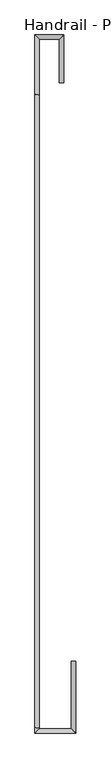
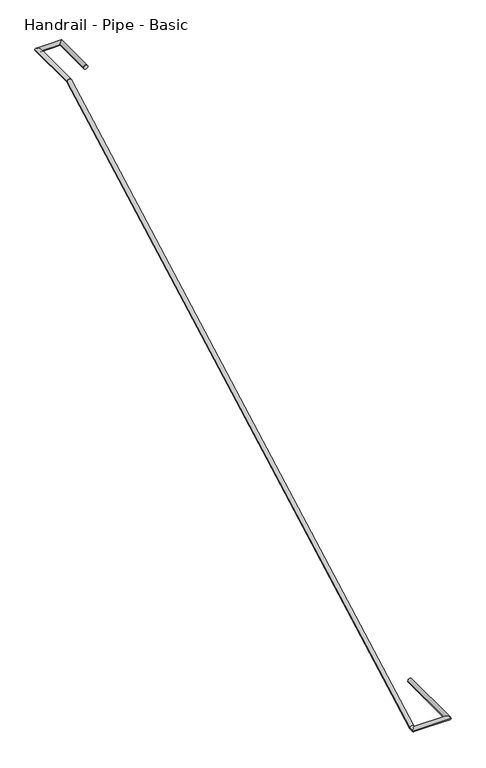
"""IFC4 building model written with IfcOpenShell, lengths in millimetres: railing geometry, Handrail - Pipe - Basic."""

from ifc_helpers import new_model, si_unit, frame, origin, place, context, project, spatial, circle_curve, ellipse_curve, source, transform, mapped, element, save
from ifc_brep_helpers import plane_surface, cylinder_surface, advanced_brep


def handrail_pipe_basic_b6f8f5c0(model_context):
    return source(origin(), model_context, "Body", "AdvancedBrep", [
        advanced_brep(
        [(-2703.1805358, -3065.9564983, 666.75), (-2741.2805358, -3065.9564983, 666.75), (-2741.2805358, 2242.6435017, 3562.35), (-2703.1805358, 2242.6435017, 3562.35), (-2436.4805358, -2512.0141343, 666.75), (-2398.3805358, -2512.0141343, 666.75), (-2398.3805358, -3115.2641343, 666.75), (-2436.4805358, -3077.1641343, 666.75), (-2741.2805358, -3115.2641343, 666.75), (-2703.1805358, -3077.1641343, 666.75), (-2741.2805358, 2739.4358657, 3562.35), (-2703.1805358, 2701.3358657, 3562.35), (-2499.9805358, 2739.4358657, 3562.35), (-2538.0805358, 2701.3358657, 3562.35), (-2538.0805358, 2339.3858657, 3562.35), (-2499.9805358, 2339.3858657, 3562.35)],
        [
            (0, 1, ellipse_curve(frame((-2722.2305358, -3065.9564983, 666.75), z_axis=(0.0, 0.9689931818424691, 0.24708746132252005), x_axis=(0.0, 0.24708746132252063, -0.9689931818424687)), 19.6595811, 19.05)),
            (1, 2),
            (2, 3, ellipse_curve(frame((-2722.2305358, 2242.6435017, 3562.35), z_axis=(0.0, -0.9689931818424691, -0.24708746132252002), x_axis=(0.0, 0.24708746132252063, -0.9689931818424689)), 19.6595811, 19.05)),
            (3, 0),
            (1, 0, ellipse_curve(frame((-2722.2305358, -3065.9564983, 666.75), z_axis=(0.0, 0.9689931818424691, 0.24708746132252005), x_axis=(0.0, 0.24708746132252063, -0.9689931818424687)), 19.6595811, 19.05)),
            (3, 2, ellipse_curve(frame((-2722.2305358, 2242.6435017, 3562.35), z_axis=(0.0, -0.9689931818424691, -0.24708746132252002), x_axis=(0.0, 0.24708746132252063, -0.9689931818424689)), 19.6595811, 19.05)),
            (4, 5, circle_curve(frame((-2417.4305358, -2512.0141343, 666.75), z_axis=(0.0, 1.0, 0.0), x_axis=(1.0, 0.0, 0.0)), 19.05)),
            (5, 4, circle_curve(frame((-2417.4305358, -2512.0141343, 666.75), z_axis=(0.0, 1.0, 0.0), x_axis=(1.0, 0.0, 0.0)), 19.05)),
            (5, 6),
            (6, 7, ellipse_curve(frame((-2417.4305358, -3096.2141343, 666.75), z_axis=(0.7071067811865454, 0.7071067811865497, 0.0), x_axis=(-0.7071067811865498, 0.7071067811865454, 0.0)), 26.9407684, 19.05)),
            (7, 4),
            (7, 6, ellipse_curve(frame((-2417.4305358, -3096.2141343, 666.75), z_axis=(0.7071067811865454, 0.7071067811865497, 0.0), x_axis=(-0.7071067811865498, 0.7071067811865454, 0.0)), 26.9407684, 19.05)),
            (6, 8),
            (8, 9, ellipse_curve(frame((-2722.2305358, -3096.2141343, 666.75), z_axis=(0.7071067811865496, -0.7071067811865454, 0.0), x_axis=(0.7071067811865455, 0.7071067811865496, 0.0)), 26.9407684, 19.05)),
            (9, 7),
            (9, 8, ellipse_curve(frame((-2722.2305358, -3096.2141343, 666.75), z_axis=(0.7071067811865496, -0.7071067811865454, 0.0), x_axis=(0.7071067811865455, 0.7071067811865496, 0.0)), 26.9407684, 19.05)),
            (8, 1),
            (0, 9),
            (2, 10),
            (10, 11, ellipse_curve(frame((-2722.2305358, 2720.3858657, 3562.35), z_axis=(-0.7071067811865472, -0.7071067811865479, 0.0), x_axis=(0.707106781186548, -0.7071067811865471, 0.0)), 26.9407684, 19.05)),
            (11, 3),
            (11, 10, ellipse_curve(frame((-2722.2305358, 2720.3858657, 3562.35), z_axis=(-0.7071067811865472, -0.7071067811865479, 0.0), x_axis=(0.707106781186548, -0.7071067811865471, 0.0)), 26.9407684, 19.05)),
            (10, 12),
            (12, 13, ellipse_curve(frame((-2519.0305358, 2720.3858657, 3562.35), z_axis=(-0.707106781186548, 0.7071067811865469, 0.0), x_axis=(-0.7071067811865472, -0.7071067811865479, 0.0)), 26.9407684, 19.05)),
            (13, 11),
            (13, 12, ellipse_curve(frame((-2519.0305358, 2720.3858657, 3562.35), z_axis=(-0.707106781186548, 0.7071067811865469, 0.0), x_axis=(-0.7071067811865472, -0.7071067811865479, 0.0)), 26.9407684, 19.05)),
            (14, 15, circle_curve(frame((-2519.0305358, 2339.3858657, 3562.35), z_axis=(0.0, -1.0, 0.0), x_axis=(1.0, 0.0, 0.0)), 19.05)),
            (15, 14, circle_curve(frame((-2519.0305358, 2339.3858657, 3562.35), z_axis=(0.0, -1.0, 0.0), x_axis=(1.0, 0.0, 0.0)), 19.05)),
            (12, 15),
            (14, 13),
        ],
        [
            cylinder_surface(frame((-2722.2305358, -3061.6920012, 669.0760893), z_axis=(0.0, -0.8778955729143844, -0.47885213068057336), x_axis=(-1.0, 0.0, 0.0)), 19.05),
            plane_surface(frame((-2417.4305358, -2512.0141343, 685.8), z_axis=(0.0, 1.0, 0.0), x_axis=(0.0, 0.0, -1.0))),
            cylinder_surface(frame((-2417.4305358, -2512.0141343, 666.75), z_axis=(0.0, 1.0, 0.0), x_axis=(1.0, 0.0, 0.0)), 19.05),
            cylinder_surface(frame((-2417.4305358, -3096.2141343, 666.75), z_axis=(1.0, 0.0, 0.0), x_axis=(0.0, -1.0, 0.0)), 19.05),
            cylinder_surface(frame((-2722.2305358, -3096.2141343, 666.75), z_axis=(0.0, -1.0, 0.0), x_axis=(-1.0, 0.0, 0.0)), 19.05),
            cylinder_surface(frame((-2722.2305358, 2237.7858657, 3562.35), z_axis=(0.0, -1.0, 0.0), x_axis=(-1.0, 0.0, 0.0)), 19.05),
            cylinder_surface(frame((-2722.2305358, 2720.3858657, 3562.35), z_axis=(-1.0, 0.0, 0.0), x_axis=(0.0, 1.0, 0.0)), 19.05),
            plane_surface(frame((-2519.0305358, 2339.3858657, 3581.4), z_axis=(0.0, -1.0, 0.0), x_axis=(0.0, 0.0, -1.0))),
            cylinder_surface(frame((-2519.0305358, 2720.3858657, 3562.35), z_axis=(0.0, 1.0, 0.0), x_axis=(1.0, 0.0, 0.0)), 19.05),
        ],
        [
            (0, [[1, 2, 3, 4]]),
            (0, [[5, -4, 6, -2]]),
            (1, [[7, 8]]),
            (2, [[-8, 9, 10, 11]]),
            (2, [[-7, -11, 12, -9]]),
            (3, [[-10, 13, 14, 15]]),
            (3, [[-12, -15, 16, -13]]),
            (4, [[-14, 17, -1, 18]]),
            (4, [[-16, -18, -5, -17]]),
            (5, [[-3, 19, 20, 21]]),
            (5, [[-6, -21, 22, -19]]),
            (6, [[-20, 23, 24, 25]]),
            (6, [[-22, -25, 26, -23]]),
            (7, [[27, 28]]),
            (8, [[-24, 29, -27, 30]]),
            (8, [[-26, -30, -28, -29]]),
        ],
    ),
    ])


if __name__ == "__main__":
    model = new_model("IFC4")
    model_context = context("Model", 3, world=origin())
    ifc_project = project(units=[si_unit("LENGTHUNIT", "METRE", prefix="MILLI")], contexts=[model_context])
    site = spatial("IfcSite", under=ifc_project)
    building = spatial("IfcBuilding", under=site)
    placement = place(None, origin())
    handrail_pipe_basic_shape = handrail_pipe_basic_b6f8f5c0(model_context)
    element("IfcRailing", 1, ObjectType="Handrail - Pipe - Basic", at=placement, inside=building, context=model_context, shape_type="MappedRepresentation", body=[
        mapped(handrail_pipe_basic_shape, transform((0.0, 0.0, 0.0), x_axis=(1.0, 0.0, 0.0), y_axis=(0.0, 1.0, 0.0), z_axis=(0.0, 0.0, 1.0))),
    ])
    save(model, "model.ifc")
